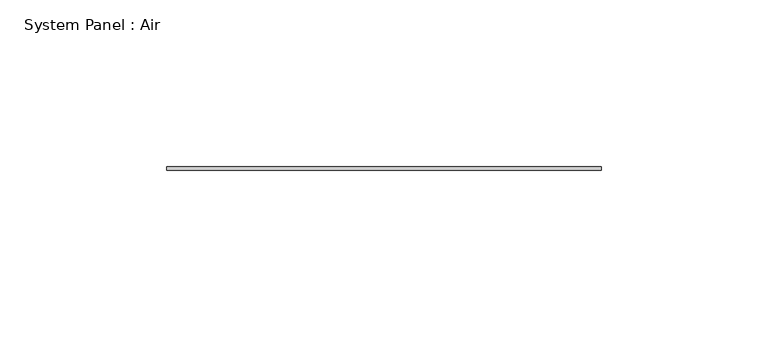
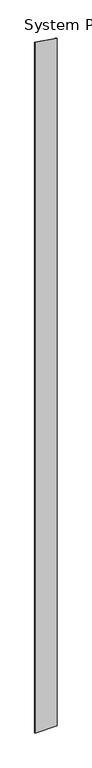
"""IFC4 building model written with IfcOpenShell, lengths in millimetres: plate geometry, System Panel : Air."""

from ifc_helpers import new_model, si_unit, frame, origin, place, context, project, spatial, polyline, outline, extrude, source, transform, mapped, element, save


def system_panel_air_ba849a8f(model_context):
    return source(origin(), model_context, "Body", "SweptSolid", [
        extrude(outline(polyline([(0.0, -65.0), (0.0, 65.0), (4252.4168246, 65.0), (4271.6692433, -65.0), (0.0, -65.0)])), frame((0.0, 36.5, 0.0), z_axis=(0.0, 1.0, 0.0), x_axis=(0.0, 0.0, 1.0)), (0.0, 0.0, 1.0), 1.0),
    ])


if __name__ == "__main__":
    model = new_model("IFC4")
    model_context = context("Model", 3, world=origin())
    ifc_project = project(units=[si_unit("LENGTHUNIT", "METRE", prefix="MILLI")], contexts=[model_context])
    site = spatial("IfcSite", under=ifc_project)
    building = spatial("IfcBuilding", under=site)
    placement = place(None, origin())
    system_panel_air_shape = system_panel_air_ba849a8f(model_context)
    element("IfcPlate", 1, ObjectType="System Panel : Air", at=placement, inside=building, context=model_context, shape_type="MappedRepresentation", body=[
        mapped(system_panel_air_shape, transform((0.0, 0.0, 0.0), x_axis=(1.0, 0.0, 0.0), y_axis=(0.0, 1.0, 0.0), z_axis=(0.0, 0.0, 1.0))),
    ])
    save(model, "model.ifc")
